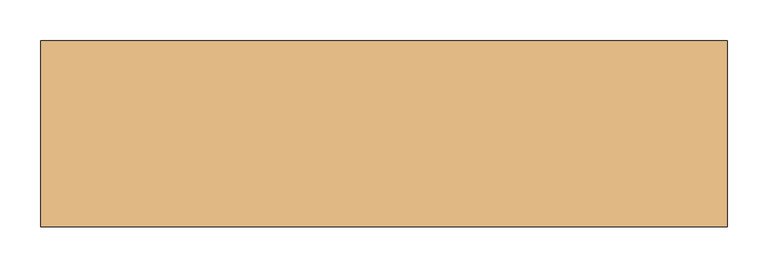
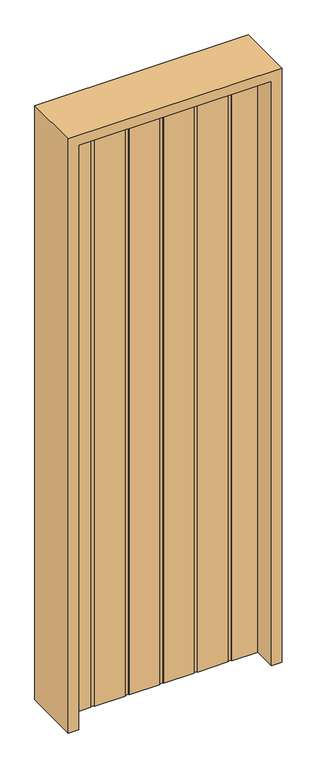
"""IFC4 building model written with IfcOpenShell, lengths in millimetres: door geometry."""

from ifc_helpers import new_model, si_unit, frame, origin, origin_with_axes, place, context, project, spatial, polyline, outline, extrude, source, transform, mapped, element, save


def door_ff3d9e5a(model_context):
    return source(origin(), model_context, "Body", "SweptSolid", [
        extrude(outline(polyline([(-381.0, -20.6375), (-381.0, 20.6375), (-278.9039063, 20.6375), (-278.9039063, 17.4625), (-263.6242188, 17.4625), (-263.6242188, 20.6375), (-143.271875, 20.6375), (-143.271875, 17.4625), (-127.9921875, 17.4625), (-127.9921875, 20.6375), (-7.6398438, 20.6375), (-7.6398438, 17.4625), (7.6398437, 17.4625), (7.6398437, 20.6375), (127.9921875, 20.6375), (127.9921875, 17.4625), (143.271875, 17.4625), (143.271875, 20.6375), (263.6242187, 20.6375), (263.6242187, 17.4625), (278.9039062, 17.4625), (278.9039062, 20.6375), (381.0, 20.6375), (381.0, -20.6375), (278.9039062, -20.6375), (278.9039062, -17.4625), (263.6242187, -17.4625), (263.6242187, -20.6375), (143.271875, -20.6375), (143.271875, -17.4625), (127.9921875, -17.4625), (127.9921875, -20.6375), (7.6398437, -20.6375), (7.6398437, -17.4625), (-7.6398438, -17.4625), (-7.6398438, -20.6375), (-127.9921875, -20.6375), (-127.9921875, -17.4625), (-143.271875, -17.4625), (-143.271875, -20.6375), (-263.6242188, -20.6375), (-263.6242188, -17.4625), (-278.9039063, -17.4625), (-278.9039063, -20.6375), (-381.0, -20.6375)])), origin_with_axes(), (0.0, 0.0, 1.0), 2438.4),
        extrude(outline(polyline([(2479.675, -422.275), (0.0, -422.275), (0.0, -381.0), (2438.4, -381.0), (2438.4, 381.0), (0.0, 381.0), (0.0, 422.275), (2479.675, 422.275), (2479.675, -422.275)])), frame((0.0, -114.3, 0.0), z_axis=(0.0, 1.0, 0.0), x_axis=(0.0, 0.0, 1.0)), (0.0, 0.0, 1.0), 228.6),
    ])


if __name__ == "__main__":
    model = new_model("IFC4")
    model_context = context("Model", 3, world=origin())
    ifc_project = project(units=[si_unit("LENGTHUNIT", "METRE", prefix="MILLI")], contexts=[model_context])
    site = spatial("IfcSite", under=ifc_project)
    building = spatial("IfcBuilding", under=site)
    placement = place(None, origin())
    door_shape = door_ff3d9e5a(model_context)
    element("IfcDoor", 1, at=placement, inside=building, context=model_context, shape_type="MappedRepresentation", body=[
        mapped(door_shape, transform((0.0, 0.0, 0.0), x_axis=(1.0, 0.0, 0.0), y_axis=(0.0, 1.0, 0.0), z_axis=(0.0, 0.0, 1.0))),
    ])
    save(model, "model.ifc")
